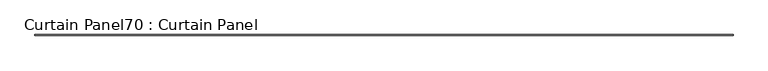
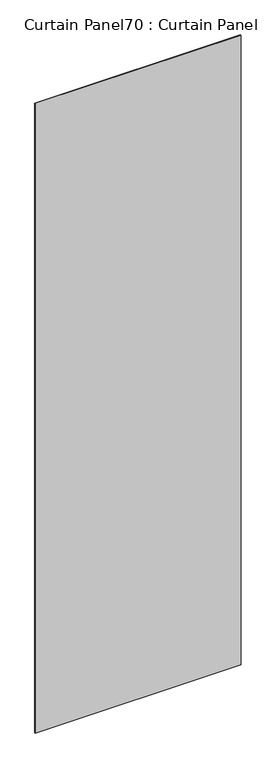
"""IFC4 building model written with IfcOpenShell, lengths in millimetres: plate geometry, Curtain Panel70 : Curtain Panel."""

from ifc_helpers import new_model, si_unit, frame, origin, place, context, project, spatial, polyline, outline, extrude, source, transform, mapped, element, save


def curtain_panel70_curtain_panel_13881f66(model_context):
    return source(origin(), model_context, "Body", "SweptSolid", [
        extrude(outline(polyline([(142848.4917433, 8028.5834949), (137986.0175202, 8028.5834949), (137986.0175202, 8034.9334949), (142848.4917433, 8034.9334949), (142848.4917433, 8028.5834949)])), frame((0.0, 0.0, 1433.7679301), z_axis=(0.0, 0.0, 1.0), x_axis=(1.0, 0.0, 0.0)), (0.0, 0.0, 1.0), 15711.5380959),
    ])


if __name__ == "__main__":
    model = new_model("IFC4")
    model_context = context("Model", 3, world=origin())
    ifc_project = project(units=[si_unit("LENGTHUNIT", "METRE", prefix="MILLI")], contexts=[model_context])
    site = spatial("IfcSite", under=ifc_project)
    building = spatial("IfcBuilding", under=site)
    placement = place(None, origin())
    curtain_panel70_curtain_panel_shape = curtain_panel70_curtain_panel_13881f66(model_context)
    element("IfcPlate", 1, ObjectType="Curtain Panel70 : Curtain Panel", at=placement, inside=building, context=model_context, shape_type="MappedRepresentation", body=[
        mapped(curtain_panel70_curtain_panel_shape, transform((0.0, 0.0, 0.0), x_axis=(1.0, 0.0, 0.0), y_axis=(0.0, 1.0, 0.0), z_axis=(0.0, 0.0, 1.0))),
    ])
    save(model, "model.ifc")
